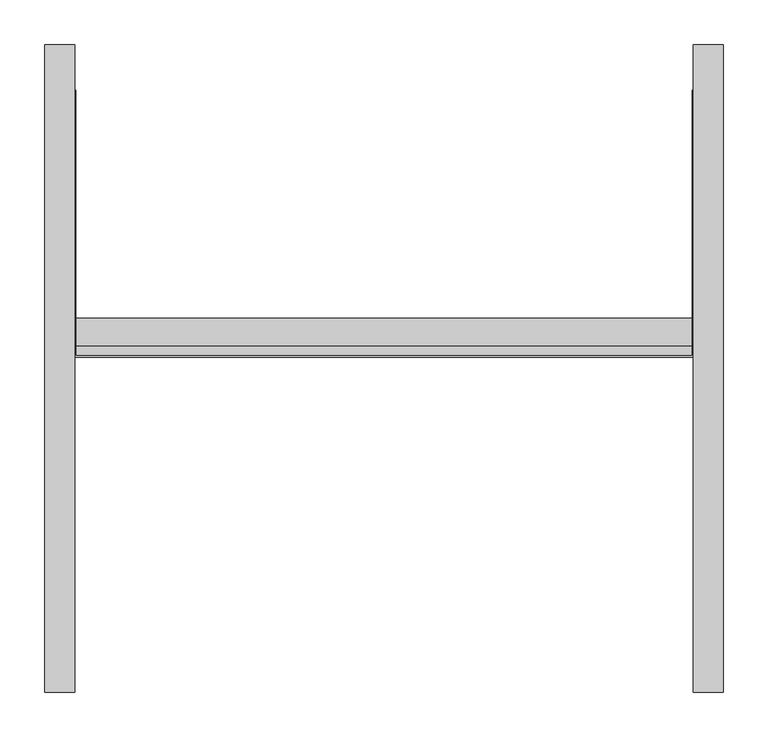
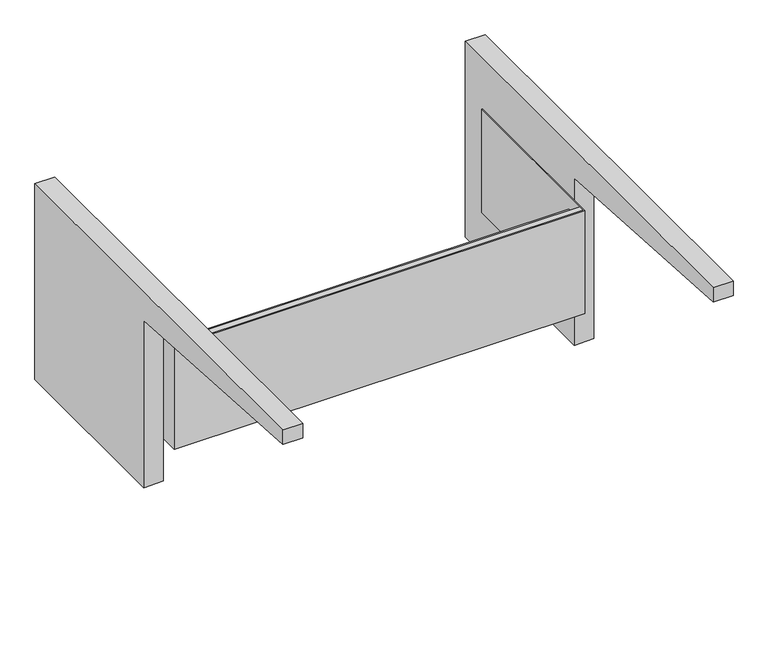
"""IFC4 building model written with IfcOpenShell, lengths in millimetres: furniture geometry."""

from ifc_helpers import new_model, si_unit, point, frame, frame_2d, origin, place, context, project, spatial, polyline, circle_curve, trimmed, segment, composite_curve, outline, extrude, source, transform, mapped, element, save


def furniture_3ba707b6(model_context):
    return source(origin(), model_context, "Body", "SweptSolid", [
        extrude(outline(composite_curve([segment(polyline([(254.0, 882.65), (254.0, 533.4), (-63.5, 533.4), (-63.5, 831.85)]), True, "CONTINUOUS"), segment(trimmed(circle_curve(frame_2d((-464.343904, -2317.7524637)), 3175.0073252), [point((-63.5, 831.85))], [point((-469.9, 857.25))], True, "CARTESIAN"), True, "CONTINUOUS"), segment(polyline([(-469.9, 857.25), (-469.9, 882.65), (254.0, 882.65)]), True, "CONTINUOUS")], self_intersect=False)), frame((346.075, 0.0, 0.0), z_axis=(1.0, 0.0, 0.0), x_axis=(0.0, 1.0, 0.0)), (0.0, 0.0, 1.0), 33.3375),
        extrude(outline(composite_curve([segment(polyline([(-469.9, 857.25), (-469.9, 882.65), (254.0, 882.65), (254.0, 533.4), (-63.5, 533.4), (-63.5, 831.85)]), True, "CONTINUOUS"), segment(trimmed(circle_curve(frame_2d((-464.343904, -2317.7524637)), 3175.0073252), [point((-63.5, 831.85))], [point((-469.9, 857.25))], True, "CARTESIAN"), True, "CONTINUOUS")], self_intersect=False)), frame((-379.4125, 0.0, 0.0), z_axis=(1.0, 0.0, 0.0), x_axis=(0.0, 1.0, 0.0)), (0.0, 0.0, 1.0), 33.3375),
        extrude(outline(polyline([(-344.4875, -93.6625), (344.4875, -93.6625), (344.4875, 203.2), (346.075, 203.2), (346.075, -95.25), (-346.075, -95.25), (-346.075, 203.2), (-344.4875, 203.2), (-344.4875, -93.6625)])), frame((0.0, 0.0, 608.9396), z_axis=(0.0, 0.0, 1.0), x_axis=(1.0, 0.0, 0.0)), (0.0, 0.0, 1.0), 184.15),
        extrude(outline(polyline([(-84.1057553, 792.29585), (-93.6625, 792.29585), (-93.6625, 770.07085), (-52.0699988, 770.07085), (-52.0699988, 608.9396), (-95.25, 608.9396), (-95.25, 793.0896), (-83.3120053, 793.0896), (-83.3120053, 786.0791994), (-84.1057553, 786.0791994), (-84.1057553, 792.29585)])), frame((-346.075, 0.0, 0.0), z_axis=(1.0, 0.0, 0.0), x_axis=(0.0, 1.0, 0.0)), (0.0, 0.0, 1.0), 692.15),
    ])


if __name__ == "__main__":
    model = new_model("IFC4")
    model_context = context("Model", 3, world=origin())
    ifc_project = project(units=[si_unit("LENGTHUNIT", "METRE", prefix="MILLI")], contexts=[model_context])
    site = spatial("IfcSite", under=ifc_project)
    building = spatial("IfcBuilding", under=site)
    placement = place(None, origin())
    furniture_shape = furniture_3ba707b6(model_context)
    element("IfcFurniture", 1, at=placement, inside=building, context=model_context, shape_type="MappedRepresentation", body=[
        mapped(furniture_shape, transform((0.0, 0.0, 0.0), x_axis=(1.0, 0.0, 0.0), y_axis=(0.0, 1.0, 0.0), z_axis=(0.0, 0.0, 1.0))),
    ])
    save(model, "model.ifc")
